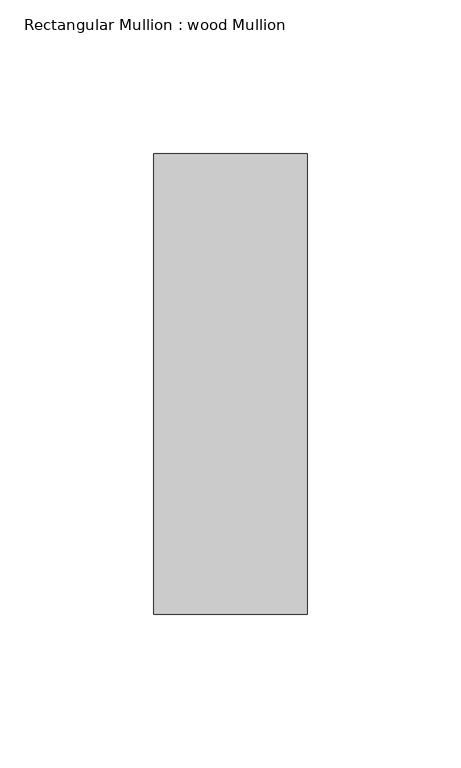
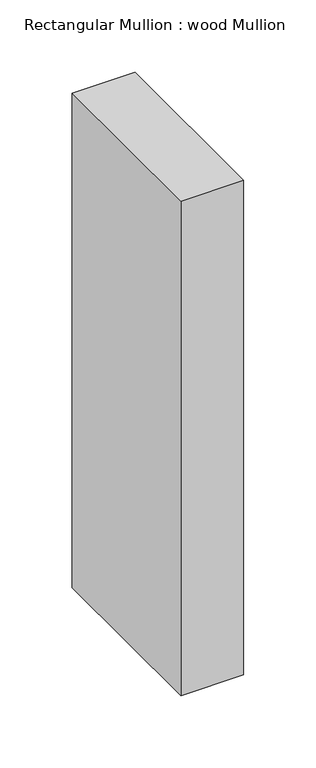
"""IFC4 building model written with IfcOpenShell, lengths in millimetres: member geometry, Rectangular Mullion : wood Mullion."""

from ifc_helpers import new_model, si_unit, frame, origin, place, context, project, spatial, polyline, outline, extrude, source, transform, mapped, element, save


def rectangular_mullion_wood_mullion_5f0710a7(model_context):
    return source(origin(), model_context, "Body", "SweptSolid", [
        extrude(outline(polyline([(25.0, 75.0), (25.0, -75.0), (-25.0, -75.0), (-25.0, 75.0), (25.0, 75.0)])), frame((0.0, 0.0, -416.378365), z_axis=(0.0, 0.0, 1.0), x_axis=(1.0, 0.0, 0.0)), (0.0, 0.0, 1.0), 416.378365),
    ])


if __name__ == "__main__":
    model = new_model("IFC4")
    model_context = context("Model", 3, world=origin())
    ifc_project = project(units=[si_unit("LENGTHUNIT", "METRE", prefix="MILLI")], contexts=[model_context])
    site = spatial("IfcSite", under=ifc_project)
    building = spatial("IfcBuilding", under=site)
    placement = place(None, origin())
    rectangular_mullion_wood_mullion_shape = rectangular_mullion_wood_mullion_5f0710a7(model_context)
    element("IfcMember", 1, ObjectType="Rectangular Mullion : wood Mullion", at=placement, inside=building, context=model_context, shape_type="MappedRepresentation", body=[
        mapped(rectangular_mullion_wood_mullion_shape, transform((0.0, 0.0, 0.0), x_axis=(1.0, 0.0, 0.0), y_axis=(0.0, 1.0, 0.0), z_axis=(0.0, 0.0, 1.0))),
    ])
    save(model, "model.ifc")
